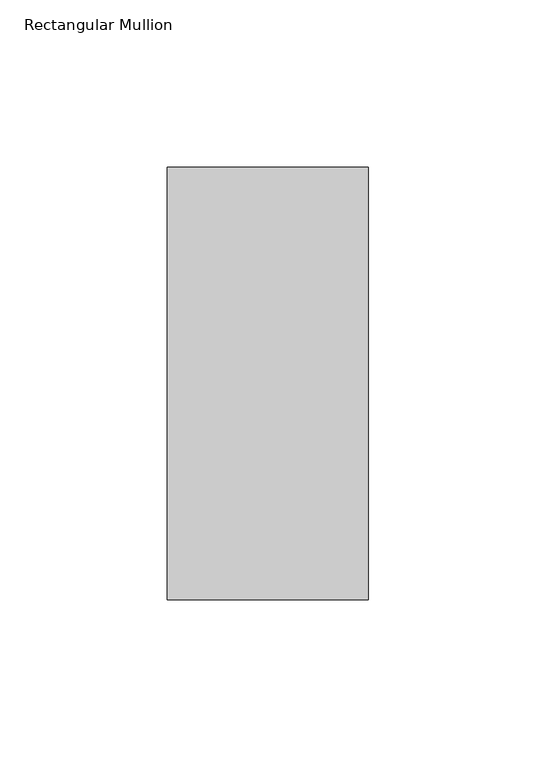
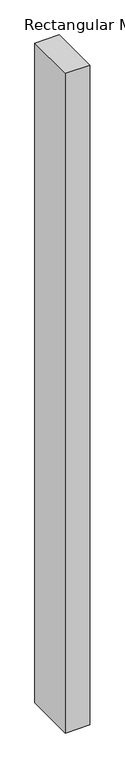
"""IFC4 building model written with IfcOpenShell, lengths in millimetres: member geometry, Rectangular Mullion."""

from ifc_helpers import new_model, si_unit, frame, origin, place, context, project, spatial, polyline, outline, extrude, source, transform, mapped, element, save


def rectangular_mullion_14175f00(model_context):
    return source(origin(), model_context, "Body", "SweptSolid", [
        extrude(outline(polyline([(30.0, 92.525), (30.0, -36.525), (-30.0, -36.525), (-30.0, 92.525), (30.0, 92.525)])), frame((0.0, 0.0, -1708.8912252), z_axis=(0.0, 0.0, 1.0), x_axis=(1.0, 0.0, 0.0)), (0.0, 0.0, 1.0), 1708.8912252),
    ])


if __name__ == "__main__":
    model = new_model("IFC4")
    model_context = context("Model", 3, world=origin())
    ifc_project = project(units=[si_unit("LENGTHUNIT", "METRE", prefix="MILLI")], contexts=[model_context])
    site = spatial("IfcSite", under=ifc_project)
    building = spatial("IfcBuilding", under=site)
    placement = place(None, origin())
    rectangular_mullion_shape = rectangular_mullion_14175f00(model_context)
    element("IfcMember", 1, ObjectType="Rectangular Mullion", at=placement, inside=building, context=model_context, shape_type="MappedRepresentation", body=[
        mapped(rectangular_mullion_shape, transform((0.0, 0.0, 0.0), x_axis=(1.0, 0.0, 0.0), y_axis=(0.0, 1.0, 0.0), z_axis=(0.0, 0.0, 1.0))),
    ])
    save(model, "model.ifc")
